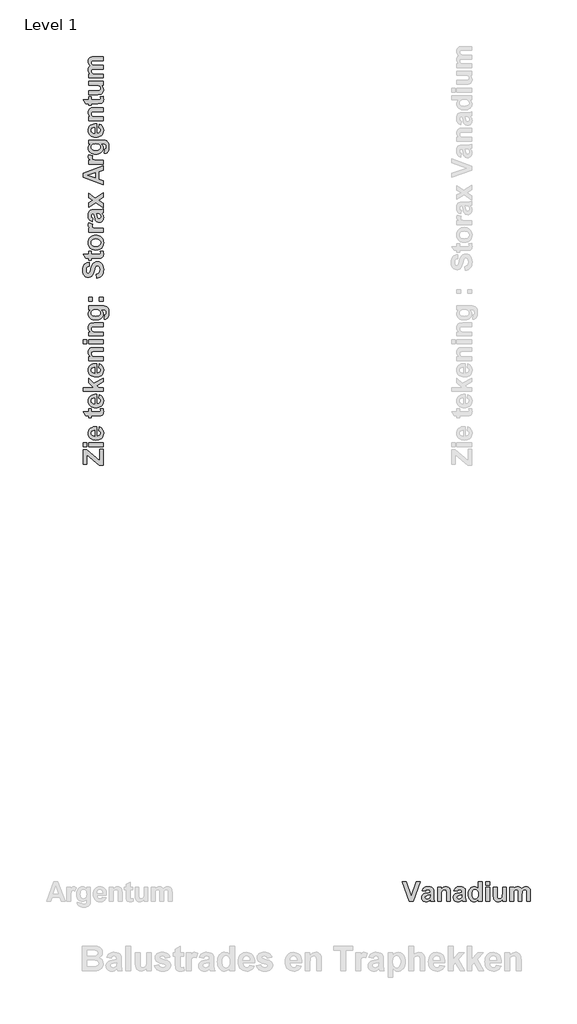
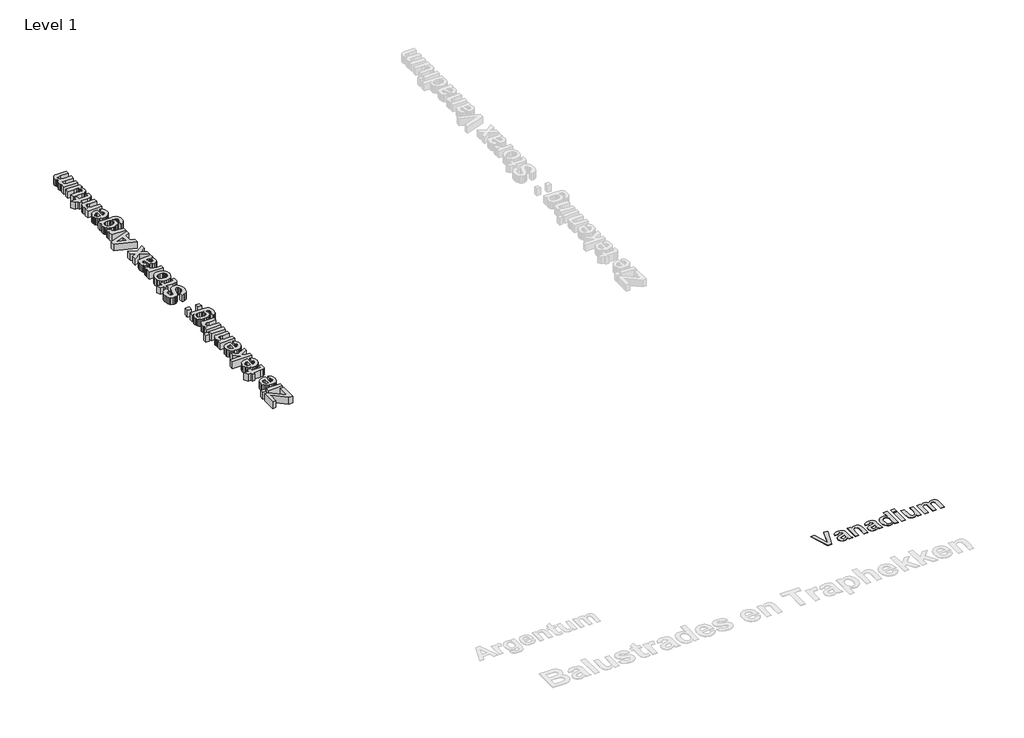
# One storey, part 14 of 20: 2 proxies.
"""IFC4 building model written with IfcOpenShell, lengths in millimetres."""

from ifc_helpers import new_model, si_unit, origin, origin_with_axes, place, context, project, spatial, polyline, outline, extrude, element, save

model = new_model("IFC4")

# Units and contexts
model_context = context("Model", 3, world=origin())
ifc_project = project(units=[si_unit("LENGTHUNIT", "METRE", prefix="MILLI")], contexts=[model_context])

# Site, building, storey
site = spatial("IfcSite", under=ifc_project)
building = spatial("IfcBuilding", under=site)
storey = spatial("IfcBuildingStorey", under=building, Name="Level 1", Elevation=0.0)

# Proxies
placement = place(None, origin())
element("IfcBuildingElementProxy", 1, Name="400mm", ObjectType="400mm", at=placement, inside=storey, context=model_context, shape_type="SweptSolid", body=[
    extrude(outline(polyline([(28361.5575428, -15738.0938306), (28226.7361143, -15338.0938306), (28307.0932571, -15338.0938306), (28407.6884952, -15636.506529), (28508.5813524, -15338.0938306), (28588.6408762, -15338.0938306), (28446.6765904, -15738.0938306), (28361.5575428, -15738.0938306)])), origin_with_axes(), (0.0, 0.0, 1.0), 5.0),
    extrude(outline(polyline([(28696.5773841, -15534.9192274), (28626.7361143, -15522.2208147), (28641.8774833, -15485.6136718), (28652.4708613, -15471.4023623), (28665.0793682, -15459.9192274), (28680.341645, -15451.0650607), (28698.8963325, -15444.740656), (28745.8829397, -15439.6811322), (28788.3680587, -15442.7441282), (28818.4027809, -15451.9331163), (28838.6904793, -15465.8220052), (28851.934527, -15482.9847036), (28859.2261936, -15509.6588107), (28861.6567492, -15552.0819258), (28861.6567492, -15642.1612909), (28865.6746063, -15698.9073226), (28880.7043682, -15738.0938306), (28804.513892, -15738.0938306), (28797.3710349, -15713.8874814), (28794.6924635, -15704.2644655), (28774.9752016, -15721.8115885), (28753.9186539, -15734.3735925), (28731.4732174, -15741.9256758), (28707.5892889, -15744.4430369), (28687.013272, -15742.9146391), (28668.7376024, -15738.3294456), (28652.7622799, -15730.6874566), (28639.0873047, -15719.9886718), (28628.1281033, -15706.9585379), (28620.3001024, -15692.3225012), (28615.6033018, -15676.0805617), (28614.0377016, -15658.2327195), (28616.8278801, -15634.8696242), (28625.1984158, -15614.1851004), (28638.6036738, -15597.0968068), (28656.498019, -15584.522402), (28681.076392, -15574.8745845), (28714.5337333, -15566.5660528), (28757.8621063, -15556.7694258), (28785.466273, -15547.6176401), (28785.466273, -15539.5819258), (28783.0977214, -15519.7902591), (28775.9920666, -15506.6454179), (28762.3387928, -15499.2793464), (28740.3273841, -15496.8239893), (28724.528773, -15498.9321242), (28712.6488127, -15505.256529), (28703.6706381, -15516.8884734), (28696.5773841, -15534.9192274)]), holes=[polyline([(28785.466273, -15604.7604972), (28742.5099238, -15615.3259734), (28704.0178603, -15627.3795449), (28693.6755984, -15638.2178385), (28690.2281778, -15651.6851004), (28692.9935547, -15665.1895647), (28701.2896857, -15676.7347036), (28713.8516897, -15684.6588107), (28729.4146857, -15687.3001798), (28748.0902809, -15684.2247829), (28765.8234158, -15674.9985925), (28776.4880984, -15664.631529), (28782.6884952, -15652.1811322), (28785.466273, -15618.5501798), (28785.466273, -15604.7604972)])]), origin_with_axes(), (0.0, 0.0, 1.0), 5.0),
    extrude(outline(polyline([(29198.1646857, -15738.0938306), (29121.9742095, -15738.0938306), (29121.9742095, -15587.9946242), (29120.7837333, -15548.7089099), (29117.2123047, -15526.288275), (29110.9375031, -15513.8626798), (29101.6369079, -15504.5620845), (29089.7569476, -15498.7585131), (29075.7440508, -15496.8239893), (29057.3040706, -15499.5893663), (29040.873019, -15507.8854972), (29027.8769873, -15520.757521), (29019.7420666, -15537.2505766), (29015.4637928, -15563.3046441), (29014.0377016, -15604.8597036), (29014.0377016, -15738.0938306), (28937.8472254, -15738.0938306), (28937.8472254, -15446.0303385), (29014.0377016, -15446.0303385), (29014.0377016, -15488.0938306), (29033.3147353, -15466.913275), (29054.935519, -15451.7843068), (29078.9000528, -15442.7069258), (29105.2083365, -15439.6811322), (29128.373019, -15441.9876798), (29149.4543682, -15448.9073226), (29167.0634952, -15459.3983941), (29179.8115111, -15472.4192274), (29188.5540706, -15487.6598028), (29194.1468285, -15504.8101004), (29198.1646857, -15556.7446242), (29198.1646857, -15738.0938306)])), origin_with_axes(), (0.0, 0.0, 1.0), 5.0),
    extrude(outline(polyline([(29337.8472254, -15534.9192274), (29268.0059555, -15522.2208147), (29283.1473246, -15485.6136718), (29293.7407026, -15471.4023623), (29306.3492095, -15459.9192274), (29321.6114863, -15451.0650607), (29340.1661738, -15444.740656), (29387.1527809, -15439.6811322), (29429.6379, -15442.7441282), (29459.6726222, -15451.9331163), (29479.9603206, -15465.8220052), (29493.2043682, -15482.9847036), (29500.4960349, -15509.6588107), (29502.9265904, -15552.0819258), (29502.9265904, -15642.1612909), (29506.9444476, -15698.9073226), (29521.9742095, -15738.0938306), (29445.7837333, -15738.0938306), (29438.6408762, -15713.8874814), (29435.9623047, -15704.2644655), (29416.2450428, -15721.8115885), (29395.1884952, -15734.3735925), (29372.7430587, -15741.9256758), (29348.8591301, -15744.4430369), (29328.2831133, -15742.9146391), (29310.0074436, -15738.3294456), (29294.0321212, -15730.6874566), (29280.357146, -15719.9886718), (29269.3979446, -15706.9585379), (29261.5699436, -15692.3225012), (29256.873143, -15676.0805617), (29255.3075428, -15658.2327195), (29258.0977214, -15634.8696242), (29266.4682571, -15614.1851004), (29279.8735151, -15597.0968068), (29297.7678603, -15584.522402), (29322.3462333, -15574.8745845), (29355.8035746, -15566.5660528), (29399.1319476, -15556.7694258), (29426.7361143, -15547.6176401), (29426.7361143, -15539.5819258), (29424.3675627, -15519.7902591), (29417.2619079, -15506.6454179), (29403.6086341, -15499.2793464), (29381.5972254, -15496.8239893), (29365.7986143, -15498.9321242), (29353.9186539, -15505.256529), (29344.9404793, -15516.8884734), (29337.8472254, -15534.9192274)]), holes=[polyline([(29426.7361143, -15604.7604972), (29383.7797651, -15615.3259734), (29345.2877016, -15627.3795449), (29334.9454397, -15638.2178385), (29331.498019, -15651.6851004), (29334.263396, -15665.1895647), (29342.559527, -15676.7347036), (29355.1215309, -15684.6588107), (29370.684527, -15687.3001798), (29389.3601222, -15684.2247829), (29407.0932571, -15674.9985925), (29417.7579397, -15664.631529), (29423.9583365, -15652.1811322), (29426.7361143, -15618.5501798), (29426.7361143, -15604.7604972)])]), origin_with_axes(), (0.0, 0.0, 1.0), 5.0),
    extrude(outline(polyline([(29839.434527, -15738.0938306), (29763.2440508, -15738.0938306), (29763.2440508, -15696.0303385), (29744.6552611, -15717.396906), (29723.0158762, -15732.4886718), (29699.7643881, -15741.4544456), (29676.3392889, -15744.4430369), (29653.2397105, -15741.913275), (29631.857642, -15734.3239893), (29612.1930835, -15721.6751798), (29594.2460349, -15703.9668464), (29579.2937779, -15681.726023), (29568.6135944, -15655.4797433), (29562.2054843, -15625.2280072), (29560.0694476, -15590.9708147), (29562.2023841, -15556.1369853), (29568.6011936, -15525.7426401), (29579.2658762, -15499.787779), (29594.1964317, -15478.272402), (29612.388396, -15461.3887214), (29632.8373047, -15449.3289496), (29655.5431579, -15442.0930865), (29680.5059555, -15439.6811322), (29703.6086341, -15442.1798921), (29725.0992095, -15449.6761718), (29744.9776817, -15462.1699714), (29763.2440508, -15479.6612909), (29763.2440508, -15338.0938306), (29839.434527, -15338.0938306), (29839.434527, -15738.0938306)]), holes=[polyline([(29636.2599238, -15586.506529), (29639.434527, -15627.9747829), (29648.9583365, -15656.1493861), (29659.0463821, -15669.7778583), (29670.9573444, -15679.5124814), (29684.6912234, -15685.3532552), (29700.248019, -15687.3001798), (29724.5535746, -15681.459406), (29744.8908762, -15663.9370845), (29752.9203901, -15650.8139447), (29758.6557571, -15634.8076202), (29763.2440508, -15594.1454179), (29758.7921658, -15549.6141679), (29753.2273097, -15532.7893911), (29745.4365111, -15519.5918464), (29725.1116103, -15502.5159536), (29699.7519873, -15496.8239893), (29674.9504, -15502.4539496), (29654.513892, -15519.3438306), (29646.5277809, -15531.9864397), (29640.8234158, -15547.3944258), (29636.2599238, -15586.506529)])]), origin_with_axes(), (0.0, 0.0, 1.0), 5.0),
    extrude(outline(polyline([(29915.6250031, -15407.9351004), (29915.6250031, -15338.0938306), (29991.8154793, -15338.0938306), (29991.8154793, -15407.9351004), (29915.6250031, -15407.9351004)])), origin_with_axes(), (0.0, 0.0, 1.0), 5.0),
    extrude(outline(polyline([(29915.6250031, -15738.0938306), (29915.6250031, -15446.0303385), (29991.8154793, -15446.0303385), (29991.8154793, -15738.0938306), (29915.6250031, -15738.0938306)])), origin_with_axes(), (0.0, 0.0, 1.0), 5.0),
    extrude(outline(polyline([(30252.1329397, -15738.0938306), (30252.1329397, -15695.2366877), (30234.5858166, -15715.710398), (30212.3015904, -15731.2981956), (30186.9419674, -15741.1568266), (30160.1686539, -15744.4430369), (30133.7053603, -15741.2188306), (30110.0694476, -15731.5462115), (30090.9226222, -15716.0328187), (30077.9265904, -15695.2862909), (30070.4861143, -15667.4465091), (30068.0059555, -15630.6533544), (30068.0059555, -15446.0303385), (30144.1964317, -15446.0303385), (30144.1964317, -15581.0501798), (30145.2256976, -15631.037779), (30148.3134952, -15656.9926401), (30154.1418682, -15669.4926401), (30163.3928603, -15679.115656), (30175.8308563, -15685.2540488), (30191.2202412, -15687.3001798), (30209.4618087, -15684.5720052), (30225.6944476, -15676.3874814), (30238.5168682, -15664.147898), (30246.5277809, -15649.2545449), (30250.73165, -15621.3155568), (30252.1329397, -15569.9390687), (30252.1329397, -15446.0303385), (30328.3234158, -15446.0303385), (30328.3234158, -15738.0938306), (30252.1329397, -15738.0938306)])), origin_with_axes(), (0.0, 0.0, 1.0), 5.0),
    extrude(outline(polyline([(30398.1646857, -15446.0303385), (30474.3551619, -15446.0303385), (30474.3551619, -15485.1176401), (30493.1113623, -15465.2391679), (30513.5664714, -15451.0402591), (30535.7204893, -15442.5209139), (30559.5734158, -15439.6811322), (30584.1145865, -15442.4713107), (30605.1587333, -15450.8418464), (30622.7306579, -15464.8671441), (30636.8551619, -15484.6216083), (30656.3616103, -15464.8671441), (30677.3809555, -15450.8418464), (30699.888396, -15442.4713107), (30723.8591301, -15439.6811322), (30752.8025825, -15442.9425409), (30776.934527, -15452.7267671), (30795.9325428, -15468.835398), (30809.4742095, -15491.070021), (30815.2777809, -15515.4995845), (30817.2123047, -15551.4866877), (30817.2123047, -15738.0938306), (30741.0218285, -15738.0938306), (30741.0218285, -15569.9390687), (30739.0873047, -15533.9519655), (30733.2837333, -15513.490656), (30720.138892, -15500.990656), (30701.3392889, -15496.8239893), (30686.1235151, -15499.3165488), (30671.8254, -15506.7942274), (30659.9206381, -15519.0834139), (30651.8849238, -15536.0104972), (30647.3090309, -15560.8368861), (30645.7837333, -15596.8239893), (30645.7837333, -15738.0938306), (30569.5932571, -15738.0938306), (30569.5932571, -15576.8835131), (30565.6250031, -15521.4767671), (30560.5778801, -15510.6136718), (30553.373019, -15502.9251798), (30543.5887928, -15498.3492869), (30530.8035746, -15496.8239893), (30514.5089317, -15499.2421441), (30499.9504, -15506.4966083), (30488.1944476, -15518.3269655), (30480.3075428, -15534.4727988), (30475.8432571, -15558.7907552), (30474.3551619, -15595.1374814), (30474.3551619, -15738.0938306), (30398.1646857, -15738.0938306), (30398.1646857, -15446.0303385)])), origin_with_axes(), (0.0, 0.0, 1.0), 5.0),
])
element("IfcBuildingElementProxy", 2, Name="400mm", ObjectType="400mm", at=placement, inside=storey, context=model_context, shape_type="SweptSolid", body=[
    extrude(outline(polyline([(22173.6643168, -6913.9641128), (22095.9302673, -6913.9641128), (21836.8167689, -6695.2358823), (21836.8167689, -6888.0527629), (21765.5605568, -6888.0527629), (21765.5605568, -6596.5500772), (21836.8167689, -6596.5500772), (22102.4081047, -6820.7439831), (22102.4081047, -6590.0722398), (22173.6643168, -6590.0722398), (22173.6643168, -6913.9641128)])), origin_with_axes(), (0.0, 0.0, 1.0), 150.0),
    extrude(outline(polyline([(22173.6643168, -6538.2495401), (21875.6837936, -6538.2495401), (21875.6837936, -6460.5154906), (22173.6643168, -6460.5154906), (22173.6643168, -6538.2495401)])), origin_with_axes(), (0.0, 0.0, 1.0), 150.0),
    extrude(outline(polyline([(21836.8167689, -6538.2495401), (21765.5605568, -6538.2495401), (21765.5605568, -6460.5154906), (21836.8167689, -6460.5154906), (21836.8167689, -6538.2495401)])), origin_with_axes(), (0.0, 0.0, 1.0), 150.0),
    extrude(outline(polyline([(22082.9745924, -6214.3576671), (22095.9302673, -6136.6236176), (22132.2036266, -6155.5510489), (22146.6490777, -6168.2030752), (22158.6337096, -6182.9806419), (22168.0436541, -6199.8141629), (22174.7650431, -6218.634052), (22180.1421543, -6262.2329346), (22176.9728217, -6297.4371977), (22167.4648239, -6327.7451267), (22151.618161, -6353.1567215), (22129.4328329, -6373.6719821), (22107.8041939, -6386.1595321), (22083.5059775, -6395.0792106), (22056.5381834, -6400.4310177), (22026.9008118, -6402.2149534), (21991.9559152, -6399.8490245), (21961.0090589, -6392.7512378), (21934.0602429, -6380.9215932), (21911.1094672, -6364.3600908), (21892.7766811, -6344.1801088), (21879.6818339, -6321.4950257), (21871.8249256, -6296.3048414), (21869.2059562, -6268.6095558), (21871.8945118, -6237.8335019), (21879.9601785, -6210.4861471), (21893.4029564, -6186.5674914), (21912.2228456, -6166.0775348), (21936.5969742, -6149.7500948), (21966.7024708, -6138.3189891), (22002.5393352, -6131.7842175), (22044.1075676, -6130.1457801), (22044.1075676, -6324.4809039), (22076.8510116, -6319.4960056), (22101.3959426, -6306.1607698), (22116.7301985, -6286.499521), (22121.8416171, -6262.5365832), (22119.5389483, -6246.2154693), (22112.630942, -6232.6778012), (22100.611517, -6222.024795), (22082.9745924, -6214.3576671)]), holes=[polyline([(21998.7627054, -6207.8798296), (21968.0309335, -6212.6116875), (21945.6748031, -6225.1878016), (21932.0485707, -6243.4573276), (21927.5064933, -6265.2694209), (21932.2889592, -6288.2961087), (21946.6363571, -6306.9704995), (21969.2834841, -6319.217661), (21998.7627054, -6323.1650932), (21998.7627054, -6207.8798296)])]), origin_with_axes(), (0.0, 0.0, 1.0), 150.0),
    extrude(outline(polyline([(21875.6837936, -5773.8647198), (21933.9843308, -5773.8647198), (21933.9843308, -5832.165257), (22061.8204044, -5832.165257), (22107.0134423, -5830.3939733), (22117.6411444, -5822.3472846), (22121.8416171, -5807.0636368), (22114.3516175, -5770.6258011), (22169.6156684, -5767.3868824), (22177.5105328, -5797.3721847), (22180.1421543, -5831.0518786), (22178.3202625, -5851.7505936), (22172.8545871, -5870.3237682), (22164.5042498, -5885.4935478), (22154.028372, -5895.9820776), (22140.4400958, -5902.9027359), (22122.752563, -5907.3689012), (22066.1727014, -5909.8993065), (21933.9843308, -5909.8993065), (21933.9843308, -5948.7663312), (21875.6837936, -5948.7663312), (21875.6837936, -5909.8993065), (21817.3832565, -5909.8993065), (21772.0383943, -5832.165257), (21875.6837936, -5832.165257), (21875.6837936, -5773.8647198)])), origin_with_axes(), (0.0, 0.0, 1.0), 150.0),
    extrude(outline(polyline([(22082.9745924, -5560.0960836), (22095.9302673, -5482.3620341), (22132.2036266, -5501.2894654), (22146.6490777, -5513.9414917), (22158.6337096, -5528.7190584), (22168.0436541, -5545.5525794), (22174.7650431, -5564.3724685), (22180.1421543, -5607.9713511), (22176.9728217, -5643.1756143), (22167.4648239, -5673.4835432), (22151.618161, -5698.895138), (22129.4328329, -5719.4103987), (22107.8041939, -5731.8979486), (22083.5059775, -5740.8176271), (22056.5381834, -5746.1694343), (22026.9008118, -5747.95337), (21991.9559152, -5745.5874411), (21961.0090589, -5738.4896543), (21934.0602429, -5726.6600097), (21911.1094672, -5710.0985073), (21892.7766811, -5689.9185254), (21879.6818339, -5667.2334422), (21871.8249256, -5642.0432579), (21869.2059562, -5614.3479724), (21871.8945118, -5583.5719184), (21879.9601785, -5556.2245636), (21893.4029564, -5532.3059079), (21912.2228456, -5511.8159513), (21936.5969742, -5495.4885114), (21966.7024708, -5484.0574056), (22002.5393352, -5477.5226341), (22044.1075676, -5475.8841967), (22044.1075676, -5670.2193205), (22076.8510116, -5665.2344221), (22101.3959426, -5651.8991864), (22116.7301985, -5632.2379375), (22121.8416171, -5608.2749997), (22119.5389483, -5591.9538858), (22112.630942, -5578.4162177), (22100.611517, -5567.7632116), (22082.9745924, -5560.0960836)]), holes=[polyline([(21998.7627054, -5553.6182462), (21968.0309335, -5558.350104), (21945.6748031, -5570.9262181), (21932.0485707, -5589.1957441), (21927.5064933, -5611.0078374), (21932.2889592, -5634.0345253), (21946.6363571, -5652.7089161), (21969.2834841, -5664.9560775), (21998.7627054, -5668.9035097), (21998.7627054, -5553.6182462)])]), origin_with_axes(), (0.0, 0.0, 1.0), 150.0),
    extrude(outline(polyline([(22173.6643168, -5417.5836595), (21765.5605568, -5417.5836595), (21765.5605568, -5339.84961), (21980.6450037, -5339.84961), (21875.6837936, -5245.9209668), (21875.6837936, -5155.2312424), (21985.1997332, -5255.131642), (22173.6643168, -5148.7534049), (22173.6643168, -5226.4874544), (22040.1601354, -5305.1324499), (22078.2174305, -5339.84961), (22173.6643168, -5339.84961), (22173.6643168, -5417.5836595)])), origin_with_axes(), (0.0, 0.0, 1.0), 150.0),
    extrude(outline(polyline([(22082.9745924, -4938.2236875), (22095.9302673, -4860.4896379), (22132.2036266, -4879.4170693), (22146.6490777, -4892.0690956), (22158.6337096, -4906.8466623), (22168.0436541, -4923.6801832), (22174.7650431, -4942.5000724), (22180.1421543, -4986.0989549), (22176.9728217, -5021.3032181), (22167.4648239, -5051.6111471), (22151.618161, -5077.0227419), (22129.4328329, -5097.5380025), (22107.8041939, -5110.0255524), (22083.5059775, -5118.945231), (22056.5381834, -5124.2970381), (22026.9008118, -5126.0809738), (21991.9559152, -5123.7150449), (21961.0090589, -5116.6172581), (21934.0602429, -5104.7876136), (21911.1094672, -5088.2261112), (21892.7766811, -5068.0461292), (21879.6818339, -5045.3610461), (21871.8249256, -5020.1708617), (21869.2059562, -4992.4755762), (21871.8945118, -4961.6995222), (21879.9601785, -4934.3521674), (21893.4029564, -4910.4335117), (21912.2228456, -4889.9435551), (21936.5969742, -4873.6161152), (21966.7024708, -4862.1850095), (22002.5393352, -4855.6502379), (22044.1075676, -4854.0118005), (22044.1075676, -5048.3469243), (22076.8510116, -5043.3620259), (22101.3959426, -5030.0267902), (22116.7301985, -5010.3655414), (22121.8416171, -4986.4026036), (22119.5389483, -4970.0814897), (22112.630942, -4956.5438215), (22100.611517, -4945.8908154), (22082.9745924, -4938.2236875)]), holes=[polyline([(21998.7627054, -4931.74585), (21968.0309335, -4936.4777078), (21945.6748031, -4949.053822), (21932.0485707, -4967.3233479), (21927.5064933, -4989.1354413), (21932.2889592, -5012.1621291), (21946.6363571, -5030.8365199), (21969.2834841, -5043.0836814), (21998.7627054, -5047.0311136), (21998.7627054, -4931.74585)])]), origin_with_axes(), (0.0, 0.0, 1.0), 150.0),
    extrude(outline(polyline([(22173.6643168, -4530.1199275), (22173.6643168, -4607.853977), (22020.5241906, -4607.853977), (21980.4425713, -4609.0685715), (21957.5677078, -4612.7123551), (21944.8903774, -4619.1142804), (21935.4013577, -4628.6033001), (21929.4802094, -4640.7239413), (21927.5064933, -4655.020731), (21930.3278952, -4673.8342941), (21938.7921008, -4690.5982289), (21951.924904, -4703.8575525), (21968.752099, -4712.1572817), (21995.3340062, -4716.5222308), (22037.7309463, -4717.9772138), (22173.6643168, -4717.9772138), (22173.6643168, -4795.7112633), (21875.6837936, -4795.7112633), (21875.6837936, -4717.9772138), (21918.5994668, -4717.9772138), (21896.9898059, -4698.309639), (21881.5543338, -4676.2508311), (21872.2930506, -4651.8007903), (21869.2059562, -4624.9595165), (21871.5592331, -4601.3255314), (21878.6190637, -4579.8170867), (21889.322678, -4561.8512094), (21902.6073056, -4548.8449264), (21918.1566459, -4539.9252479), (21935.6543982, -4534.219184), (21988.6410843, -4530.1199275), (22173.6643168, -4530.1199275)])), origin_with_axes(), (0.0, 0.0, 1.0), 150.0),
    extrude(outline(polyline([(22173.6643168, -4452.385878), (21875.6837936, -4452.385878), (21875.6837936, -4374.6518284), (22173.6643168, -4374.6518284), (22173.6643168, -4452.385878)])), origin_with_axes(), (0.0, 0.0, 1.0), 150.0),
    extrude(outline(polyline([(21836.8167689, -4452.385878), (21765.5605568, -4452.385878), (21765.5605568, -4374.6518284), (21836.8167689, -4374.6518284), (21836.8167689, -4452.385878)])), origin_with_axes(), (0.0, 0.0, 1.0), 150.0),
    extrude(outline(polyline([(22173.6643168, -4031.3264431), (22173.6643168, -4109.0604926), (22020.5241906, -4109.0604926), (21980.4425713, -4110.2750871), (21957.5677078, -4113.9188707), (21944.8903774, -4120.320796), (21935.4013577, -4129.8098157), (21929.4802094, -4141.9304569), (21927.5064933, -4156.2272466), (21930.3278952, -4175.0408097), (21938.7921008, -4191.8047445), (21951.924904, -4205.0640681), (21968.752099, -4213.3637973), (21995.3340062, -4217.7287464), (22037.7309463, -4219.1837294), (22173.6643168, -4219.1837294), (22173.6643168, -4296.9177789), (21875.6837936, -4296.9177789), (21875.6837936, -4219.1837294), (21918.5994668, -4219.1837294), (21896.9898059, -4199.5161545), (21881.5543338, -4177.4573467), (21872.2930506, -4153.0073059), (21869.2059562, -4126.1660321), (21871.5592331, -4102.532047), (21878.6190637, -4081.0236023), (21889.322678, -4063.057725), (21902.6073056, -4050.051442), (21918.1566459, -4041.1317634), (21935.6543982, -4035.4256996), (21988.6410843, -4031.3264431), (22173.6643168, -4031.3264431)])), origin_with_axes(), (0.0, 0.0, 1.0), 150.0),
    extrude(outline(polyline([(22193.0978292, -3960.070231), (22206.0535041, -3869.3805066), (22217.4909359, -3865.9138514), (22224.6772868, -3859.7649666), (22230.1429621, -3846.2779066), (22231.9648539, -3826.8696982), (22229.6621851, -3801.71747), (22222.7541788, -3783.7515926), (22214.682186, -3775.3000391), (22202.8145854, -3769.1764583), (22166.5791821, -3765.7351072), (22123.1574278, -3765.7351072), (22145.2541918, -3785.7822429), (22161.0375946, -3807.4614899), (22170.5076362, -3830.7728483), (22173.6643168, -3855.7163182), (22170.4949842, -3882.9624568), (22160.9869864, -3907.2100652), (22145.1403235, -3928.4591433), (22122.9549954, -3946.7096912), (22101.6869392, -3958.2230352), (22077.9643899, -3966.4468522), (22051.7873475, -3971.3811425), (22023.1558121, -3973.0259059), (21987.9167558, -3970.8718984), (21957.0995828, -3964.409876), (21930.704293, -3953.6398386), (21908.7308863, -3938.5617863), (21891.4387294, -3920.2764453), (21879.0871887, -3899.8845419), (21871.6762643, -3877.3860762), (21869.2059562, -3852.7810481), (21872.1349003, -3827.5276036), (21880.9217325, -3804.602132), (21895.5664529, -3784.0046332), (21916.0690615, -3765.7351072), (21875.6837936, -3765.7351072), (21875.6837936, -3688.0010577), (22140.3641836, -3688.0010577), (22185.9241303, -3690.1139461), (22218.3512736, -3696.4526112), (22241.4159176, -3706.5995363), (22258.8883659, -3720.1372045), (22271.9832131, -3737.9259534), (22281.9150537, -3760.826121), (22288.1778067, -3789.6600889), (22290.2653911, -3825.2502389), (22288.7091918, -3859.3664278), (22284.0405941, -3888.1308095), (22276.259598, -3911.5433842), (22265.3662033, -3929.6041517), (22252.0815757, -3943.0659077), (22237.1268807, -3952.6814476), (22220.5021181, -3958.4507716), (22202.2072881, -3960.3738796), (22193.0978292, -3960.070231)]), holes=[polyline([(22020.220542, -3895.2918564), (22062.9843908, -3890.8003871), (22079.3940689, -3885.1860504), (22092.4889161, -3877.3259791), (22109.6450638, -3857.2472133), (22115.3637797, -3832.9426708), (22109.4932395, -3806.8921487), (22091.8816189, -3785.2192277), (22078.7298375, -3776.694925), (22062.7566543, -3770.6061373), (22022.3460824, -3765.7351072), (21980.3793112, -3770.4037049), (21964.0550343, -3776.239452), (21950.8368298, -3784.409498), (21933.3390774, -3805.5510339), (21927.5064933, -3831.6268601), (21933.2252092, -3856.9182607), (21950.3813568, -3877.3259791), (21963.3243797, -3885.1860504), (21979.2785849, -3890.8003871), (22020.220542, -3895.2918564)])]), origin_with_axes(), (0.0, 0.0, 1.0), 150.0),
    extrude(outline(polyline([(21953.4178431, -3590.8334958), (21875.6837936, -3590.8334958), (21875.6837936, -3513.0994463), (21953.4178431, -3513.0994463), (21953.4178431, -3590.8334958)])), origin_with_axes(), (0.0, 0.0, 1.0), 150.0),
    extrude(outline(polyline([(22173.6643168, -3590.8334958), (22095.9302673, -3590.8334958), (22095.9302673, -3513.0994463), (22173.6643168, -3513.0994463), (22173.6643168, -3590.8334958)])), origin_with_axes(), (0.0, 0.0, 1.0), 150.0),
    extrude(outline(polyline([(22037.6297301, -3124.4291987), (22031.1518927, -3046.6951491), (22065.9196609, -3035.3589336), (22090.0597271, -3016.330286), (22104.1793884, -2989.4826863), (22108.8859422, -2954.689614), (22104.7234255, -2918.5807309), (22092.2358756, -2892.644077), (22074.1814341, -2877.0061725), (22053.3182427, -2871.7935377), (22040.0968753, -2873.9570342), (22028.9757441, -2880.4475237), (22019.5752886, -2892.3530804), (22011.5159479, -2910.7617787), (21994.2079759, -2978.1717748), (21976.3180107, -3035.7131903), (21965.873763, -3056.9306384), (21954.4300053, -3073.11258), (21936.7108424, -3089.8954929), (21917.1571358, -3101.8832878), (21895.7688854, -3109.0759648), (21872.5460911, -3111.4735237), (21842.4848766, -3107.0706186), (21814.4479864, -3093.8619031), (21790.6368729, -3072.3534584), (21773.2529888, -3043.0513656), (21762.6252867, -3006.4364015), (21759.0827193, -2962.9893432), (21761.2904979, -2927.0480995), (21767.9138337, -2895.8450397), (21778.9527266, -2869.3801637), (21794.4071767, -2847.6534716), (21813.5433665, -2830.5953771), (21835.6274784, -2818.1362942), (21860.6595124, -2810.2762229), (21888.6394685, -2807.0151631), (21888.6394685, -2884.7492126), (21861.9310411, -2893.3399385), (21843.9525117, -2908.1807653), (21833.7423265, -2930.638112), (21830.3389314, -2962.0783973), (21833.9574109, -2995.1760981), (21844.8128495, -3020.176502), (21855.6935921, -3030.3487312), (21869.7120372, -3033.7394742), (21882.9460567, -3030.6523798), (21894.1051439, -3021.3910966), (21907.1746871, -2994.5055407), (21920.6743991, -2945.2258983), (21934.7181483, -2892.631425), (21949.4198028, -2855.8013765), (21967.2212038, -2829.9912429), (21990.5641923, -2810.4565143), (22019.739765, -2798.1587447), (22055.0389183, -2794.0594882), (22088.7439163, -2798.9052143), (22120.2221577, -2813.4423925), (22146.6901967, -2836.8486411), (22165.3645875, -2868.3015785), (22176.4477626, -2908.1428092), (22180.1421543, -2956.7139382), (22177.8679525, -2993.0379056), (22171.0453473, -3024.8830558), (22159.6743387, -3052.2493887), (22143.7549266, -3075.1369042), (22123.4768915, -3093.7037528), (22099.0300137, -3108.1080847), (22070.4142933, -3118.3499), (22037.6297301, -3124.4291987)])), origin_with_axes(), (0.0, 0.0, 1.0), 150.0),
    extrude(outline(polyline([(21875.6837936, -2586.7686895), (21933.9843308, -2586.7686895), (21933.9843308, -2645.0692266), (22061.8204044, -2645.0692266), (22107.0134423, -2643.2979429), (22117.6411444, -2635.2512542), (22121.8416171, -2619.9676065), (22114.3516175, -2583.5297707), (22169.6156684, -2580.290852), (22177.5105328, -2610.2761543), (22180.1421543, -2643.9558483), (22178.3202625, -2664.6545633), (22172.8545871, -2683.2277379), (22164.5042498, -2698.3975174), (22154.028372, -2708.8860472), (22140.4400958, -2715.8067056), (22122.752563, -2720.2728709), (22066.1727014, -2722.8032761), (21933.9843308, -2722.8032761), (21933.9843308, -2761.6703009), (21875.6837936, -2761.6703009), (21875.6837936, -2722.8032761), (21817.3832565, -2722.8032761), (21772.0383943, -2645.0692266), (21875.6837936, -2645.0692266), (21875.6837936, -2586.7686895)])), origin_with_axes(), (0.0, 0.0, 1.0), 150.0),
    extrude(outline(polyline([(22020.4229744, -2560.8573396), (21981.8722503, -2556.0622217), (21944.5614247, -2541.6768678), (21912.2101935, -2518.5110076), (21888.5382523, -2487.3743709), (21874.0390302, -2450.2027177), (21869.2059562, -2408.931808), (21871.9451199, -2376.9443225), (21880.1626109, -2347.9869973), (21893.8584294, -2322.0598324), (21913.0325752, -2299.1628279), (21936.3945418, -2280.453644), (21962.6538223, -2267.0899412), (21991.8104169, -2259.0717196), (22023.8643255, -2256.398979), (22056.1744377, -2259.1001866), (22085.5935618, -2267.2038095), (22112.1216979, -2280.7098475), (22135.758846, -2299.6183008), (22155.1765434, -2322.6196846), (22169.0463272, -2348.4045142), (22177.3681975, -2376.9727895), (22180.1421543, -2408.3245107), (22175.5241647, -2447.9633091), (22161.6701959, -2485.7043035), (22138.8838965, -2518.0934908), (22107.4689152, -2541.6768678), (22067.8427689, -2556.0622217), (22020.4229744, -2560.8573396)]), holes=[polyline([(22024.6740552, -2483.1232901), (22066.2359616, -2477.7461789), (22082.8891912, -2471.02479), (22096.7906051, -2461.6148454), (22107.7504228, -2450.2311848), (22115.5788641, -2437.5886475), (22120.2759289, -2423.6872336), (22121.8416171, -2408.5269431), (22120.2759289, -2393.3729786), (22115.5788641, -2379.4905428), (22107.7504228, -2366.8796356), (22096.7906051, -2355.540257), (22082.8512351, -2346.1745945), (22066.0841373, -2339.4848356), (22024.0667579, -2334.1330285), (21982.9603245, -2339.4848356), (21966.4209632, -2346.1745945), (21952.5575054, -2355.540257), (21941.5976876, -2366.8796356), (21933.7692463, -2379.4905428), (21929.0721816, -2393.3729786), (21927.5064933, -2408.5269431), (21929.0721816, -2423.6872336), (21933.7692463, -2437.5886475), (21941.5976876, -2450.2311848), (21952.5575054, -2461.6148454), (21966.4589192, -2471.02479), (21983.1121489, -2477.7461789), (22024.6740552, -2483.1232901)])]), origin_with_axes(), (0.0, 0.0, 1.0), 150.0),
    extrude(outline(polyline([(22173.6643168, -2120.3643923), (22173.6643168, -2198.0984419), (21875.6837936, -2198.0984419), (21875.6837936, -2120.3643923), (21917.1824399, -2120.3643923), (21892.7766811, -2103.9420622), (21878.4672394, -2089.2910158), (21871.521277, -2074.5640572), (21869.2059562, -2057.9139906), (21873.3052127, -2033.6474042), (21885.6029822, -2010.2411555), (21959.592032, -2032.9135866), (21950.1030123, -2051.6385855), (21946.9400057, -2068.9465575), (21949.1541103, -2083.8886006), (21955.7964241, -2096.3255424), (21968.2080619, -2106.3206432), (21987.7301384, -2113.937163), (22023.4594607, -2118.757585), (22084.4928355, -2120.3643923), (22173.6643168, -2120.3643923)])), origin_with_axes(), (0.0, 0.0, 1.0), 150.0),
    extrude(outline(polyline([(21966.3735181, -1913.0735936), (21953.4178431, -1984.3298057), (21916.0690615, -1968.8816816), (21901.5698394, -1958.0736881), (21889.8540631, -1945.2097404), (21880.8205163, -1929.638259), (21874.3679829, -1910.7076647), (21869.2059562, -1862.7691371), (21872.3310067, -1819.423295), (21881.7061581, -1788.7800874), (21895.8764276, -1768.0813724), (21913.386832, -1754.5690083), (21940.6013405, -1747.1296168), (21983.8839225, -1744.6498197), (22075.7882414, -1744.6498197), (22133.6839137, -1740.5505631), (22173.6643168, -1725.2163073), (22173.6643168, -1802.9503568), (22148.9675615, -1810.2379239), (22139.1495891, -1812.9707616), (22157.0522063, -1833.0874834), (22169.8687089, -1854.5706241), (22177.5737929, -1877.4707916), (22180.1421543, -1901.8385943), (22178.582792, -1922.8314689), (22173.9047053, -1941.4773926), (22166.1078941, -1957.7763655), (22155.1923584, -1971.7283875), (22141.8982418, -1982.9096157), (22126.9656878, -1990.8962073), (22110.3946963, -1995.6881623), (22092.1852675, -1997.2854806), (22068.34885, -1994.4387747), (22047.2452701, -1985.8986569), (22029.8107779, -1972.2218165), (22016.9816232, -1953.9649426), (22007.1383468, -1928.8886265), (21998.6614892, -1894.7534596), (21988.6663884, -1850.5472797), (21979.329193, -1822.3838692), (21971.13068, -1822.3838692), (21950.938046, -1824.8004062), (21937.5268981, -1832.0500173), (21930.0115945, -1845.9798982), (21927.5064933, -1868.4372449), (21929.6573378, -1884.5559264), (21936.1098712, -1896.6765676), (21947.9774718, -1905.8366346), (21966.3735181, -1913.0735936)]), holes=[polyline([(22037.6297301, -1822.3838692), (22048.4092565, -1866.2104883), (22060.7070261, -1905.4823779), (22071.7648971, -1916.0341678), (22085.5049976, -1919.5514311), (22099.2830542, -1916.7300292), (22111.0620907, -1908.2658236), (22119.1467355, -1895.449321), (22121.8416171, -1879.571028), (22118.7039146, -1860.5170764), (22109.290807, -1842.4246788), (22098.7137131, -1831.5439362), (22086.0110787, -1825.2179231), (22051.6987834, -1822.3838692), (22037.6297301, -1822.3838692)])]), origin_with_axes(), (0.0, 0.0, 1.0), 150.0),
    extrude(outline(polyline([(22173.6643168, -1702.5438762), (22020.220542, -1597.2790174), (21875.6837936, -1689.5882013), (21875.6837936, -1597.1778012), (21957.5677078, -1552.2378039), (21875.6837936, -1503.4515905), (21875.6837936, -1411.0411905), (22016.7791908, -1506.083212), (22173.6643168, -1398.0855156), (22173.6643168, -1490.4959156), (22081.355133, -1552.2378039), (22173.6643168, -1610.1334762), (22173.6643168, -1702.5438762)])), origin_with_axes(), (0.0, 0.0, 1.0), 150.0),
    extrude(outline(polyline([(22173.6643168, -857.1860876), (22173.6643168, -938.8675694), (22082.9745924, -970.8518918), (22082.9745924, -1125.0041801), (22173.6643168, -1156.5836377), (22173.6643168, -1239.3784978), (21765.5605568, -1090.3882362), (21765.5605568, -1007.5933762), (22173.6643168, -857.1860876)]), holes=[polyline([(22011.7183803, -995.7510796), (21862.7281187, -1048.2822927), (22011.7183803, -1100.1049924), (22011.7183803, -995.7510796)])]), origin_with_axes(), (0.0, 0.0, 1.0), 150.0),
    extrude(outline(polyline([(22173.6643168, -740.5850134), (22173.6643168, -818.3190629), (21875.6837936, -818.3190629), (21875.6837936, -740.5850134), (21917.1824399, -740.5850134), (21892.7766811, -724.1626832), (21878.4672394, -709.5116368), (21871.521277, -694.7846782), (21869.2059562, -678.1346116), (21873.3052127, -653.8680252), (21885.6029822, -630.4617765), (21959.592032, -653.1342076), (21950.1030123, -671.8592066), (21946.9400057, -689.1671785), (21949.1541103, -704.1092216), (21955.7964241, -716.5461634), (21968.2080619, -726.5412642), (21987.7301384, -734.157784), (22023.4594607, -738.978206), (22084.4928355, -740.5850134), (22173.6643168, -740.5850134)])), origin_with_axes(), (0.0, 0.0, 1.0), 150.0),
    extrude(outline(polyline([(22193.0978292, -604.5504267), (22206.0535041, -513.8607023), (22217.4909359, -510.3940471), (22224.6772868, -504.2451623), (22230.1429621, -490.7581023), (22231.9648539, -471.3498939), (22229.6621851, -446.1976657), (22222.7541788, -428.2317883), (22214.682186, -419.7802348), (22202.8145854, -413.656654), (22166.5791821, -410.2153029), (22123.1574278, -410.2153029), (22145.2541918, -430.2624386), (22161.0375946, -451.9416856), (22170.5076362, -475.253044), (22173.6643168, -500.1965139), (22170.4949842, -527.4426525), (22160.9869864, -551.6902609), (22145.1403235, -572.939339), (22122.9549954, -591.1898869), (22101.6869392, -602.7032309), (22077.9643899, -610.9270479), (22051.7873475, -615.8613382), (22023.1558121, -617.5061016), (21987.9167558, -615.3520941), (21957.0995828, -608.8900717), (21930.704293, -598.1200343), (21908.7308863, -583.041982), (21891.4387294, -564.756641), (21879.0871887, -544.3647376), (21871.6762643, -521.8662719), (21869.2059562, -497.2612438), (21872.1349003, -472.0077993), (21880.9217325, -449.0823277), (21895.5664529, -428.4848289), (21916.0690615, -410.2153029), (21875.6837936, -410.2153029), (21875.6837936, -332.4812534), (22140.3641836, -332.4812534), (22185.9241303, -334.5941418), (22218.3512736, -340.9328069), (22241.4159176, -351.079732), (22258.8883659, -364.6174001), (22271.9832131, -382.4061491), (22281.9150537, -405.3063167), (22288.1778067, -434.1402846), (22290.2653911, -469.7304346), (22288.7091918, -503.8466234), (22284.0405941, -532.6110052), (22276.259598, -556.0235799), (22265.3662033, -574.0843474), (22252.0815757, -587.5461034), (22237.1268807, -597.1616433), (22220.5021181, -602.9309673), (22202.2072881, -604.8540753), (22193.0978292, -604.5504267)]), holes=[polyline([(22020.220542, -539.7720521), (22062.9843908, -535.2805828), (22079.3940689, -529.6662461), (22092.4889161, -521.8061748), (22109.6450638, -501.727409), (22115.3637797, -477.4228665), (22109.4932395, -451.3723444), (22091.8816189, -429.6994234), (22078.7298375, -421.1751207), (22062.7566543, -415.086333), (22022.3460824, -410.2153029), (21980.3793112, -414.8839006), (21964.0550343, -420.7196477), (21950.8368298, -428.8896937), (21933.3390774, -450.0312296), (21927.5064933, -476.1070558), (21933.2252092, -501.3984564), (21950.3813568, -521.8061748), (21963.3243797, -529.6662461), (21979.2785849, -535.2805828), (22020.220542, -539.7720521)])]), origin_with_axes(), (0.0, 0.0, 1.0), 150.0),
    extrude(outline(polyline([(22082.9745924, -86.3234299), (22095.9302673, -8.5893804), (22132.2036266, -27.5168117), (22146.6490777, -40.168838), (22158.6337096, -54.9464047), (22168.0436541, -71.7799257), (22174.7650431, -90.5998148), (22180.1421543, -134.1986974), (22176.9728217, -169.4029605), (22167.4648239, -199.7108895), (22151.618161, -225.1224843), (22129.4328329, -245.6377449), (22107.8041939, -258.1252949), (22083.5059775, -267.0449734), (22056.5381834, -272.3967805), (22026.9008118, -274.1807162), (21991.9559152, -271.8147873), (21961.0090589, -264.7170006), (21934.0602429, -252.887356), (21911.1094672, -236.3258536), (21892.7766811, -216.1458716), (21879.6818339, -193.4607885), (21871.8249256, -168.2706042), (21869.2059562, -140.5753186), (21871.8945118, -109.7992647), (21879.9601785, -82.4519098), (21893.4029564, -58.5332541), (21912.2228456, -38.0432976), (21936.5969742, -21.7158576), (21966.7024708, -10.2847519), (22002.5393352, -3.7499803), (22044.1075676, -2.1115429), (22044.1075676, -196.4466667), (22076.8510116, -191.4617684), (22101.3959426, -178.1265326), (22116.7301985, -158.4652838), (22121.8416171, -134.502346), (22119.5389483, -118.1812321), (22112.630942, -104.643564), (22100.611517, -93.9905578), (22082.9745924, -86.3234299)]), holes=[polyline([(21998.7627054, -79.8455924), (21968.0309335, -84.5774503), (21945.6748031, -97.1535644), (21932.0485707, -115.4230904), (21927.5064933, -137.2351837), (21932.2889592, -160.2618715), (21946.6363571, -178.9362623), (21969.2834841, -191.1834238), (21998.7627054, -195.130856), (21998.7627054, -79.8455924)])]), origin_with_axes(), (0.0, 0.0, 1.0), 150.0),
    extrude(outline(polyline([(22173.6643168, 321.7803301), (22173.6643168, 244.0462806), (22020.5241906, 244.0462806), (21980.4425713, 242.831686), (21957.5677078, 239.1879025), (21944.8903774, 232.7859772), (21935.4013577, 223.2969575), (21929.4802094, 211.1763163), (21927.5064933, 196.8795266), (21930.3278952, 178.0659635), (21938.7921008, 161.3020286), (21951.924904, 148.0427051), (21968.752099, 139.7429758), (21995.3340062, 135.3780268), (22037.7309463, 133.9230437), (22173.6643168, 133.9230437), (22173.6643168, 56.1889942), (21875.6837936, 56.1889942), (21875.6837936, 133.9230437), (21918.5994668, 133.9230437), (21896.9898059, 153.5906186), (21881.5543338, 175.6494264), (21872.2930506, 200.0994673), (21869.2059562, 226.940741), (21871.5592331, 250.5747261), (21878.6190637, 272.0831708), (21889.322678, 290.0490482), (21902.6073056, 303.0553312), (21918.1566459, 311.9750097), (21935.6543982, 317.6810736), (21988.6410843, 321.7803301), (22173.6643168, 321.7803301)])), origin_with_axes(), (0.0, 0.0, 1.0), 150.0),
    extrude(outline(polyline([(21875.6837936, 542.0268037), (21933.9843308, 542.0268037), (21933.9843308, 483.7262666), (22061.8204044, 483.7262666), (22107.0134423, 485.4975503), (22117.6411444, 493.544239), (22121.8416171, 508.8278867), (22114.3516175, 545.2657225), (22169.6156684, 548.5046412), (22177.5105328, 518.5193389), (22180.1421543, 484.8396449), (22178.3202625, 464.1409299), (22172.8545871, 445.5677553), (22164.5042498, 430.3979758), (22154.028372, 419.909446), (22140.4400958, 412.9887876), (22122.752563, 408.5226223), (22066.1727014, 405.9922171), (21933.9843308, 405.9922171), (21933.9843308, 367.1251923), (21875.6837936, 367.1251923), (21875.6837936, 405.9922171), (21817.3832565, 405.9922171), (21772.0383943, 483.7262666), (21875.6837936, 483.7262666), (21875.6837936, 542.0268037)])), origin_with_axes(), (0.0, 0.0, 1.0), 150.0),
    extrude(outline(polyline([(22173.6643168, 775.2289523), (22129.9389139, 775.2289523), (22150.8274093, 757.3263351), (22166.7310064, 734.5906439), (22176.7893673, 708.7172501), (22180.1421543, 681.4015253), (22176.8526274, 654.4021012), (22166.9840469, 630.2873391), (22151.156362, 610.7526105), (22129.989522, 597.493287), (22101.585723, 589.9020712), (22064.047161, 587.371666), (21875.6837936, 587.371666), (21875.6837936, 665.1057155), (22013.4390559, 665.1057155), (22064.4393738, 666.1558337), (22090.9200649, 669.3061882), (22103.6733074, 675.2526406), (22113.4912798, 684.6910522), (22119.7540328, 697.3810345), (22121.8416171, 713.0821992), (22119.0581713, 731.6933298), (22110.707834, 748.2548322), (22098.220284, 761.3370274), (22083.0252005, 769.5102364), (22054.5201852, 773.7992733), (22002.1028403, 775.2289523), (21875.6837936, 775.2289523), (21875.6837936, 852.9630018), (22173.6643168, 852.9630018), (22173.6643168, 775.2289523)])), origin_with_axes(), (0.0, 0.0, 1.0), 150.0),
    extrude(outline(polyline([(21875.6837936, 924.2192139), (21875.6837936, 1001.9532634), (21915.5629805, 1001.9532634), (21895.2817824, 1021.0894532), (21880.7952123, 1041.9589705), (21872.1032702, 1064.5618155), (21869.2059562, 1088.8979881), (21872.0526621, 1113.9363481), (21880.5927798, 1135.4068367), (21894.9022216, 1153.3347579), (21915.0568994, 1167.7454159), (21894.9022216, 1187.6470532), (21880.5927798, 1209.0922378), (21872.0526621, 1232.0556655), (21869.2059562, 1256.5120323), (21872.5334391, 1286.0418617), (21882.5158878, 1310.6627048), (21898.95087, 1330.0456091), (21921.6359531, 1343.8616218), (21946.5604449, 1349.7827701), (21983.2766252, 1351.7564862), (22173.6643168, 1351.7564862), (22173.6643168, 1274.0224367), (22002.1028403, 1274.0224367), (21965.38666, 1272.0487206), (21944.5108166, 1266.1275723), (21931.7575741, 1252.7164244), (21927.5064933, 1233.5359526), (21930.0495506, 1218.0119163), (21937.6787224, 1203.42413), (21950.2168805, 1191.2781848), (21967.4868964, 1183.0796717), (21992.816253, 1178.411074), (22029.5324333, 1176.8548748), (22173.6643168, 1176.8548748), (22173.6643168, 1099.1208253), (22009.187975, 1099.1208253), (21952.6587216, 1095.0721769), (21941.5755465, 1089.9228022), (21933.7312902, 1082.5719749), (21929.0626925, 1072.5895262), (21927.5064933, 1059.5452871), (21929.9736384, 1042.9205245), (21937.3750738, 1028.0670457), (21949.4451069, 1016.0729247), (21965.9180451, 1008.026236), (21990.7286687, 1003.4715065), (22027.8117577, 1001.9532634), (22173.6643168, 1001.9532634), (22173.6643168, 924.2192139), (21875.6837936, 924.2192139)])), origin_with_axes(), (0.0, 0.0, 1.0), 150.0),
])

save(model, "model.ifc")
